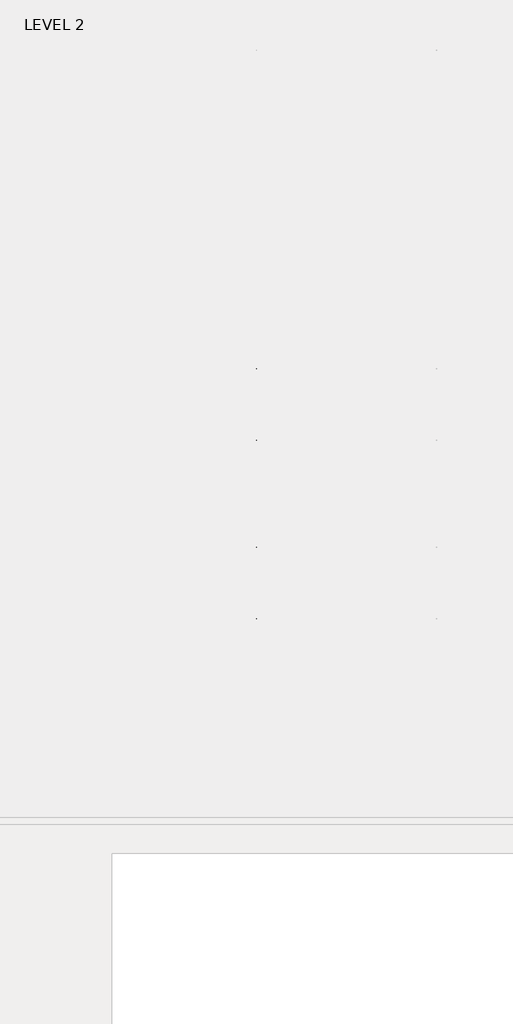
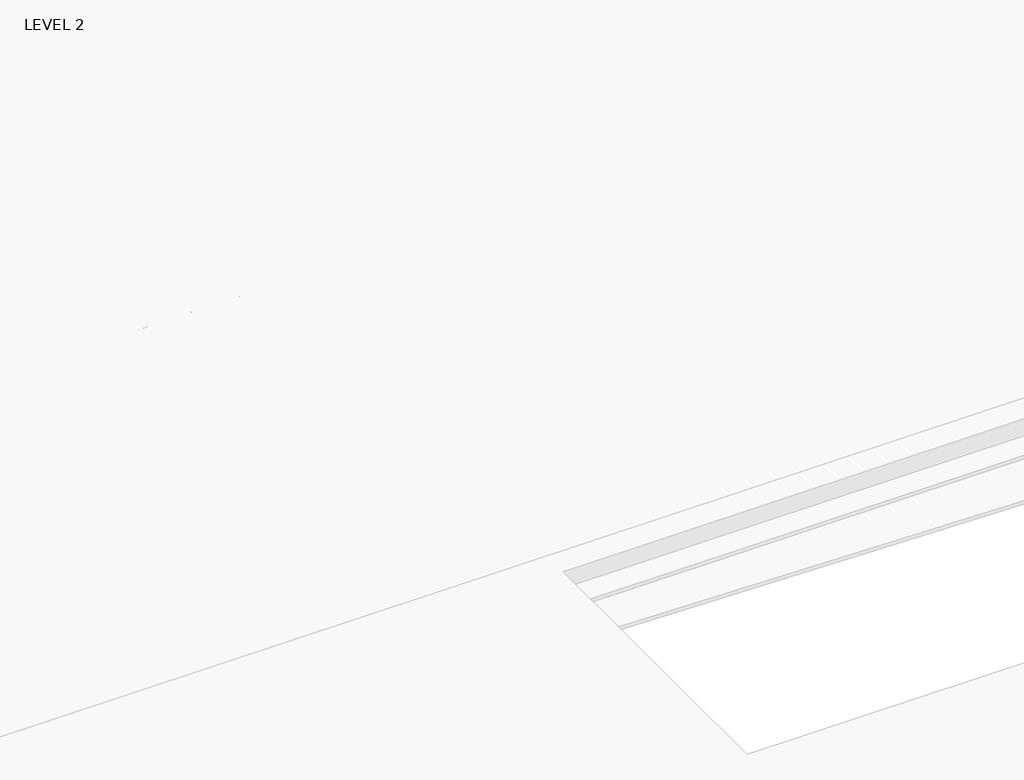
# One storey, part 52 of 67: 1 beam.
"""IFC4 building model written with IfcOpenShell, lengths in millimetres."""

import ifcopenshell
import ifcopenshell.guid

model = None  # the IFC model being written
_history = None  # IfcOwnerHistory: only IFC2X3 demands one
_inside = {}  # id of a spatial element -> (the spatial element, [elements in it])
_under = {}  # id of a project, library or spatial element -> (it, [spatial elements below it])
_declared = {}  # id of a project -> (the project, [libraries it declares])
_typed = {}  # id of a type object -> (the type object, [elements of that type])
_made_of = {}  # id of a material, layer set ... -> (it, [elements and type objects made of it])


def new_model(schema):
    """Start an empty IFC model of exactly this schema.

    Asked for "IFC4X3", IfcOpenShell would pick the latest addendum, in which some entities
    have other attributes; the version numbers below select the first issue.
    IFC2X3 requires an IfcOwnerHistory on every rooted entity: one is made here for all.
    """
    global model, _history
    if schema == "IFC4X3":
        model = ifcopenshell.file(schema_version=(4, 3, 0, 0))
    else:
        model = ifcopenshell.file(schema=schema)
    _inside.clear()
    _under.clear()
    _declared.clear()
    _typed.clear()
    _made_of.clear()
    _history = None
    if model.schema == "IFC2X3":
        org = make("IfcOrganization", Name="unknown")
        user = make(
            "IfcPersonAndOrganization",
            ThePerson=make("IfcPerson", FamilyName="unknown"),
            TheOrganization=org,
        )
        app = make(
            "IfcApplication",
            ApplicationDeveloper=org,
            Version="unknown",
            ApplicationFullName="unknown",
            ApplicationIdentifier="unknown",
        )
        _history = make(
            "IfcOwnerHistory",
            OwningUser=user,
            OwningApplication=app,
            ChangeAction="ADDED",
            CreationDate=0,
        )
    return model


def make(cls, **values):
    """One entity of the class cls with the attributes given. An attribute that is None is left unset."""
    return model.create_entity(
        cls, **{name: value for name, value in values.items() if value is not None}
    )


def rooted(cls, **values):
    """An entity with a GlobalId (a new one), such as an element, a storey or a relation."""
    return make(cls, GlobalId=ifcopenshell.guid.new(), OwnerHistory=_history, **values)


def si_unit(unit_type, name, prefix=None):
    """IfcSIUnit, for example si_unit("LENGTHUNIT", "METRE", prefix="MILLI")."""
    return make("IfcSIUnit", UnitType=unit_type, Prefix=prefix, Name=name)


def assignment(units):
    """IfcUnitAssignment: the units of a project."""
    return None if units is None else make("IfcUnitAssignment", Units=units)


def point(xyz):
    """IfcCartesianPoint."""
    return None if xyz is None else make("IfcCartesianPoint", Coordinates=xyz)


def direction(xyz):
    """IfcDirection."""
    return None if xyz is None else make("IfcDirection", DirectionRatios=xyz)


def frame(location, z_axis=None, x_axis=None):
    """IfcAxis2Placement3D, a coordinate frame: its origin and axes. An axis left out is left unset."""
    return make(
        "IfcAxis2Placement3D",
        Location=point(location),
        Axis=direction(z_axis),
        RefDirection=direction(x_axis),
    )


def origin():
    """The frame at (0, 0, 0) with its axes left unset."""
    return frame((0.0, 0.0, 0.0))


def place(relative_to, where):
    """IfcLocalPlacement: puts the frame where relative to a parent placement (None: the world)."""
    return make(
        "IfcLocalPlacement", PlacementRelTo=relative_to, RelativePlacement=where
    )


def context(
    kind, dimensions, precision=None, world=None, true_north=None, identifier=None
):
    """IfcGeometricRepresentationContext, for example the 3D "Model" context."""
    return make(
        "IfcGeometricRepresentationContext",
        ContextIdentifier=identifier,
        ContextType=kind,
        CoordinateSpaceDimension=dimensions,
        Precision=precision,
        WorldCoordinateSystem=world,
        TrueNorth=true_north,
    )


def project(units=None, contexts=None):
    """IfcProject with its units and contexts."""
    return rooted(
        "IfcProject",
        Name="project",
        RepresentationContexts=contexts,
        UnitsInContext=assignment(units),
    )


def spatial(cls, under=None, at=None, **own):
    """A site, building, storey or space (cls), placed at a placement, below another one or the project."""
    s = rooted(cls, ObjectPlacement=at, **own)
    if under is not None:
        _under.setdefault(under.id(), (under, []))[1].append(s)
    return s


def polyline(points):
    """IfcPolyline through the points."""
    return make("IfcPolyline", Points=[point(p) for p in points])


def outline(outer, holes=None, kind="AREA"):
    """IfcArbitraryClosedProfileDef: a profile drawn as a closed curve; with holes, ...WithVoids."""
    if holes is None:
        return make("IfcArbitraryClosedProfileDef", ProfileType=kind, OuterCurve=outer)
    return make(
        "IfcArbitraryProfileDefWithVoids",
        ProfileType=kind,
        OuterCurve=outer,
        InnerCurves=holes,
    )


def extrude(swept, where, along, depth):
    """IfcExtrudedAreaSolid: the profile swept, set in the frame where, extruded along a direction by depth."""
    return make(
        "IfcExtrudedAreaSolid",
        SweptArea=swept,
        Position=where,
        ExtrudedDirection=direction(along),
        Depth=depth,
    )


def faces_of(points, faces, orient=None, outer=None):
    """IfcFace entities. A face is a list of loops; a loop is a list of indices into points, from 0.

    orient and outer hold one flag for each loop. By default every Orientation is true, the
    first loop of a face is its IfcFaceOuterBound and the others are IfcFaceBound.
    """
    made = []
    for i, loops in enumerate(faces):
        bounds = []
        for j, loop in enumerate(loops):
            is_outer = j == 0 if outer is None else outer[i][j]
            bounds.append(
                make(
                    "IfcFaceOuterBound" if is_outer else "IfcFaceBound",
                    Bound=make("IfcPolyLoop", Polygon=[points[k] for k in loop]),
                    Orientation=True if orient is None else orient[i][j],
                )
            )
        made.append(make("IfcFace", Bounds=bounds))
    return made


def faceted_brep(points, faces, orient=None, outer=None, voids=None):
    """IfcFacetedBrep: a solid bounded by flat faces; with voids (closed shells), ...WithVoids."""
    shared = [point(p) for p in points]
    hull = make("IfcClosedShell", CfsFaces=faces_of(shared, faces, orient, outer))
    if voids is None:
        return make("IfcFacetedBrep", Outer=hull)
    return make(
        "IfcFacetedBrepWithVoids",
        Outer=hull,
        Voids=[
            make(cls, CfsFaces=faces_of(shared, fs, o, b)) for cls, fs, o, b in voids
        ],
    )


def shape(context_of_items, identifier, shape_type, items):
    """IfcShapeRepresentation: the items that make up one representation, for example the "Body"."""
    return make(
        "IfcShapeRepresentation",
        ContextOfItems=context_of_items,
        RepresentationIdentifier=identifier,
        RepresentationType=shape_type,
        Items=items,
    )


def made_of(thing, what):
    """Note that an element or type object is made of a material, layer set ...; save() writes the relation."""
    if what is not None:
        _made_of.setdefault(what.id(), (what, []))[1].append(thing)
    return thing


def element(
    cls,
    number,
    at=None,
    inside=None,
    cuts=None,
    type_object=None,
    material=None,
    context=None,
    identifier="Body",
    shape_type=None,
    held_by="IfcProductDefinitionShape",
    body=None,
    shapes=None,
    **own,
):
    """One element of the class cls, such as IfcWall. Its Tag is "e" and its number.

    at: its placement. inside: the storey or other place that contains it. cuts: it is an
    opening in that element (IfcRelVoidsElement). A single representation is given by context,
    identifier, shape_type and body (its items); several are given by shapes. held_by: the class
    of the entity that holds the representations. save() writes the other relations.
    """
    e = rooted(cls, Tag="e%d" % number, ObjectPlacement=at, **own)
    if body is not None:
        shapes = [shape(context, identifier, shape_type, body)]
    if shapes is not None:
        e.Representation = make(held_by, Representations=shapes)
    if inside is not None:
        _inside.setdefault(inside.id(), (inside, []))[1].append(e)
    if cuts is not None:
        rooted(
            "IfcRelVoidsElement", RelatingBuildingElement=cuts, RelatedOpeningElement=e
        )
    if type_object is not None:
        _typed.setdefault(type_object.id(), (type_object, []))[1].append(e)
    return made_of(e, material)


def aggregate(whole, parts):
    """IfcRelAggregates: a whole, such as a stair, and the parts it consists of."""
    return rooted("IfcRelAggregates", RelatingObject=whole, RelatedObjects=parts)


def save(model, path):
    """Write the relations noted so far, then the file.

    IfcRelAggregates (storeys below a building ...), IfcRelContainedInSpatialStructure (elements
    in a storey), IfcRelDefinesByType, IfcRelAssociatesMaterial and IfcRelDeclares: one each for
    every whole, place, type object, material and project.
    """
    for whole, parts in _under.values():
        aggregate(whole, parts)
    for where, things in _inside.values():
        rooted(
            "IfcRelContainedInSpatialStructure",
            RelatedElements=things,
            RelatingStructure=where,
        )
    for kind, things in _typed.values():
        rooted("IfcRelDefinesByType", RelatedObjects=things, RelatingType=kind)
    for what, things in _made_of.values():
        rooted("IfcRelAssociatesMaterial", RelatedObjects=things, RelatingMaterial=what)
    for by, libraries in _declared.values():
        rooted("IfcRelDeclares", RelatingContext=by, RelatedDefinitions=libraries)
    model.write(path)


model = new_model("IFC4")

# Units and contexts
model_context = context("Model", 3, world=origin())
ifc_project = project(units=[si_unit("LENGTHUNIT", "METRE", prefix="MILLI")], contexts=[model_context])

# Site, building, storey
site = spatial("IfcSite", under=ifc_project)
building = spatial("IfcBuilding", under=site)
storey = spatial("IfcBuildingStorey", under=building, Name="LEVEL 2", Elevation=6908.8)

# Beam
placement = place(None, origin())
element("IfcBeam", 1, ObjectType="K-Series Bar Joist-Angle Web : 12K3", at=placement, inside=storey, context=model_context, shape_type="SolidModel", body=[
    extrude(outline(polyline([(0.0, -9.525), (0.0, 0.0), (573.7533355, 0.0), (573.7533355, -9.525), (0.0, -9.525)])), frame((50252.3743742, -9604.1227945, 6274.1671734), z_axis=(0.0, -0.48308851527800273, 0.8755715198694479), x_axis=(0.0, -0.8755715198694479, -0.48308851527800273)), (0.0, 0.0, 1.0), 9.525),
    extrude(outline(polyline([(0.0, -9.525), (0.0, 0.0), (573.7533355, 0.0), (573.7533355, -9.525), (0.0, -9.525)])), frame((50242.8493742, -14433.5123055, 6174.0312759), z_axis=(0.0, 0.44637950228858414, 0.894843751688861), x_axis=(0.0, 0.894843751688861, -0.44637950228858414)), (0.0, 0.0, 1.0), 9.525),
    extrude(outline(polyline([(4.7625, 4.7625), (4.7625, -4.7625), (-4.7625, -4.7625), (-4.7625, 4.7625), (4.7625, 4.7625)])), frame((50247.6118742, -10108.7855836, 6001.1634358), z_axis=(0.0, 0.52726382079386, 0.8497016319166749), x_axis=(-1.0, 0.0, 0.0)), (0.0, 0.0, 1.0), 318.0343231),
    extrude(outline(polyline([(4.7625, 4.7624999), (4.7625, -4.7625), (-4.7625, -4.7625), (-4.7625, 4.7624999), (4.7625, 4.7624999)])), frame((50247.6118742, -13917.9668359, 5922.1812409), z_axis=(0.0, -0.5620321036093113, 0.8271154178906911), x_axis=(-1.0, 0.0, 0.0)), (0.0, 0.0, 1.0), 318.0343231),
    extrude(outline(polyline([(0.0, 0.0), (31.75, 0.0), (31.75, -6.35), (6.35, -6.35), (6.35, -31.75), (0.0, -31.75), (0.0, 0.0)])), frame((50252.3743742, -14019.4133656, 5913.7264136), z_axis=(0.0, 0.9997851055909517, 0.020730234887470715), x_axis=(1.0, 0.0, 0.0)), (0.0, 0.0, 1.0), 4013.2),
    extrude(outline(polyline([(-9.525, 0.0), (-9.525, -31.75), (-15.875, -31.75), (-15.875, -6.35), (-41.275, -6.35), (-41.275, 0.0), (-9.525, 0.0)])), frame((50252.3743742, -14019.4133656, 5913.7264136), z_axis=(0.0, 0.9997851055909517, 0.020730234887470715), x_axis=(1.0, 0.0, 0.0)), (0.0, 0.0, 1.0), 4013.2),
    extrude(outline(polyline([(-31.75, 0.0), (0.0, 0.0), (0.0, -6.35), (-25.4, -6.35), (-25.4, -31.75), (-31.75, -31.75), (-31.75, 0.0)])), frame((50284.1243742, -14532.3064049, 6144.4436003), z_axis=(0.0, 0.9997851055909517, 0.020730234887470715), x_axis=(1.0, 0.0, 0.0)), (0.0, 0.0, 1.0), 101.6),
    extrude(outline(polyline([(-41.275, 0.0), (-41.275, -31.75), (-47.625, -31.75), (-47.625, -6.35), (-73.025, -6.35), (-73.025, 0.0), (-41.275, 0.0)])), frame((50284.1243742, -14532.3064049, 6144.4436003), z_axis=(0.0, 0.9997851055909517, 0.020730234887470715), x_axis=(1.0, 0.0, 0.0)), (0.0, 0.0, 1.0), 101.6),
    extrude(outline(polyline([(0.0, 0.0), (31.75, 0.0), (31.75, -6.35), (6.35, -6.35), (6.35, -31.75), (0.0, -31.75), (0.0, 0.0)])), frame((50242.8493742, -9605.7653186, 6246.5939057), z_axis=(0.0, 0.9997851055909517, 0.020730234887470715), x_axis=(0.0, -0.020730234887470715, 0.9997851055909517)), (0.0, 0.0, 1.0), 101.6),
    extrude(outline(polyline([(0.0, 41.275), (6.35, 41.275), (6.35, 15.875), (31.75, 15.875), (31.75, 9.525), (0.0, 9.525), (0.0, 41.275)])), frame((50242.8493742, -9605.7653186, 6246.5939057), z_axis=(0.0, 0.9997851055909517, 0.020730234887470715), x_axis=(0.0, -0.020730234887470715, 0.9997851055909517)), (0.0, 0.0, 1.0), 101.6),
    extrude(outline(polyline([(0.0, 0.0), (31.75, 0.0), (31.75, -6.35), (6.35, -6.35), (6.35, -31.75), (0.0, -31.75), (0.0, 0.0)])), frame((50252.3743742, -14533.6227748, 6207.9299545), z_axis=(0.0, 0.9997851055909517, 0.020730234887470715), x_axis=(0.0, 0.020730234887470715, -0.9997851055909517)), (0.0, 0.0, 1.0), 5029.2),
    extrude(outline(polyline([(0.0, 9.525), (0.0, 41.275), (6.35, 41.275), (6.35, 15.875), (31.75, 15.875), (31.75, 9.525), (0.0, 9.525)])), frame((50252.3743742, -14533.6227748, 6207.9299545), z_axis=(0.0, 0.9997851055909517, 0.020730234887470715), x_axis=(0.0, 0.020730234887470715, -0.9997851055909517)), (0.0, 0.0, 1.0), 5029.2),
    faceted_brep([(50247.6118742, -10109.114676, 6017.0350244), (50247.6118742, -10108.7197651, 5997.9891181), (50242.8493742, -10108.7197651, 5997.9891181), (50242.8493742, -10109.114676, 6017.0350244), (50247.6118742, -10109.9522968, 6017.0176566), (50247.6118742, -10276.2637995, 6293.0292934), (50247.6118742, -10294.472085, 6292.6517502), (50247.6118742, -10294.0771741, 6273.605844), (50247.6118742, -10286.8909179, 6273.7548488), (50247.6118742, -10120.5794152, 5997.7432119), (50242.8493742, -10120.5794152, 5997.7432119), (50242.8493742, -10141.368353, 6032.2446665), (50242.8493742, -10137.2891437, 6034.7026043), (50242.8493742, -10273.3621914, 6260.5303072), (50242.8493742, -10277.4414007, 6258.0723694), (50242.8493742, -10286.8909179, 6273.7548488), (50242.8493742, -10294.0771741, 6273.605844), (50242.8493742, -10294.472085, 6292.6517502), (50242.8493742, -10276.2637995, 6293.0292934), (50242.8493742, -10109.9522968, 6017.0176566), (50230.1493742, -10277.4414007, 6258.0723694), (50230.1493742, -10141.368353, 6032.2446665), (50230.1493742, -10137.2891437, 6034.7026043), (50230.1493742, -10273.3621914, 6260.5303072)], [[[0, 1, 2, 3]], [[1, 0, 4, 5, 6, 7, 8, 9]], [[2, 1, 9, 10]], [[3, 2, 10, 11, 12, 13, 14, 15, 16, 17, 18, 19]], [[0, 3, 19, 4]], [[9, 8, 15, 14, 20, 21, 11, 10]], [[5, 4, 19, 18]], [[7, 6, 17, 16]], [[8, 7, 16, 15]], [[6, 5, 18, 17]], [[21, 22, 12, 11]], [[20, 14, 13, 23]], [[22, 21, 20, 23]], [[12, 22, 23, 13]]]),
    extrude(outline(polyline([(-10455.153257, 5990.8059268), (-10455.548168, 6009.8518331), (-10454.7105472, 6009.8692009), (-10299.9830997, 6292.5374811), (-10281.7748142, 6292.9150242), (-10281.3799032, 6273.869118), (-10288.5661594, 6273.7201132), (-10443.2936069, 5991.051833), (-10455.153257, 5990.8059268)])), frame((50247.6118742, 0.0, 0.0), z_axis=(1.0, 0.0, 0.0), x_axis=(0.0, 1.0, 0.0)), (0.0, 0.0, 1.0), 4.7625),
    extrude(outline(polyline([(-4.7625, 4.7625), (-4.7625, 0.0), (-17.4625, 0.0), (-17.4625, 4.7625), (-4.7625, 4.7625)])), frame((50247.6118742, -10423.9526759, 6026.385368), z_axis=(0.0, 0.48015445792745387, 0.8771839582051151), x_axis=(-1.0, 0.0, 0.0)), (0.0, 0.0, 1.0), 263.6551264),
    faceted_brep([(50247.6118742, -13571.8624364, 5945.2360207), (50247.6118742, -13571.4675254, 5926.1901145), (50242.8493742, -13571.4675254, 5926.1901145), (50242.8493742, -13571.8624364, 5945.2360207), (50247.6118742, -13572.7000571, 5945.2186529), (50247.6118742, -13739.0115599, 6221.2302898), (50247.6118742, -13757.2198454, 6220.8527466), (50247.6118742, -13756.8249344, 6201.8068403), (50247.6118742, -13749.6386783, 6201.9558451), (50247.6118742, -13583.3271755, 5925.9442083), (50242.8493742, -13583.3271755, 5925.9442083), (50242.8493742, -13604.1161134, 5960.4456629), (50242.8493742, -13600.0369041, 5962.9036007), (50242.8493742, -13736.1099518, 6188.7313035), (50242.8493742, -13740.1891611, 6186.2733658), (50242.8493742, -13749.6386783, 6201.9558451), (50242.8493742, -13756.8249344, 6201.8068403), (50242.8493742, -13757.2198454, 6220.8527466), (50242.8493742, -13739.0115599, 6221.2302898), (50242.8493742, -13572.7000571, 5945.2186529), (50230.1493742, -13740.1891611, 6186.2733658), (50230.1493742, -13604.1161134, 5960.4456629), (50230.1493742, -13600.0369041, 5962.9036007), (50230.1493742, -13736.1099518, 6188.7313035)], [[[0, 1, 2, 3]], [[1, 0, 4, 5, 6, 7, 8, 9]], [[2, 1, 9, 10]], [[3, 2, 10, 11, 12, 13, 14, 15, 16, 17, 18, 19]], [[0, 3, 19, 4]], [[9, 8, 15, 14, 20, 21, 11, 10]], [[5, 4, 19, 18]], [[7, 6, 17, 16]], [[8, 7, 16, 15]], [[6, 5, 18, 17]], [[21, 22, 12, 11]], [[20, 14, 13, 23]], [[22, 21, 20, 23]], [[12, 22, 23, 13]]]),
    extrude(outline(polyline([(-13917.9010174, 5919.0069232), (-13918.2959283, 5938.0528295), (-13917.4583076, 5938.0701973), (-13762.7308601, 6220.7384774), (-13744.5225746, 6221.1160206), (-13744.1276636, 6202.0701143), (-13751.3139198, 6201.9211095), (-13906.0413673, 5919.2528294), (-13917.9010174, 5919.0069232)])), frame((50247.6118742, 0.0, 0.0), z_axis=(1.0, 0.0, 0.0), x_axis=(0.0, 1.0, 0.0)), (0.0, 0.0, 1.0), 4.7625),
    extrude(outline(polyline([(-4.7625, 4.7625), (-4.7625, 0.0), (-17.4625, 0.0), (-17.4625, 4.7625), (-4.7625, 4.7625)])), frame((50247.6118742, -13886.7004363, 5954.5863644), z_axis=(0.0, 0.48015445792745387, 0.8771839582051151), x_axis=(-1.0, 0.0, 0.0)), (0.0, 0.0, 1.0), 263.6551264),
    faceted_brep([(50247.6118742, -10455.3894521, 6009.855124), (50247.6118742, -10454.9945411, 5990.8092177), (50242.8493742, -10454.9945411, 5990.8092177), (50242.8493742, -10455.3894521, 6009.855124), (50247.6118742, -10456.2270728, 6009.8377562), (50247.6118742, -10622.5385756, 6285.849393), (50247.6118742, -10640.7468611, 6285.4718499), (50247.6118742, -10640.3519501, 6266.4259436), (50247.6118742, -10633.165694, 6266.5749484), (50247.6118742, -10466.8541912, 5990.5633116), (50242.8493742, -10466.8541912, 5990.5633116), (50242.8493742, -10487.643129, 6025.0647662), (50242.8493742, -10483.5639198, 6027.5227039), (50242.8493742, -10619.6369675, 6253.3504068), (50242.8493742, -10623.7161767, 6250.892469), (50242.8493742, -10633.165694, 6266.5749484), (50242.8493742, -10640.3519501, 6266.4259436), (50242.8493742, -10640.7468611, 6285.4718499), (50242.8493742, -10622.5385756, 6285.849393), (50242.8493742, -10456.2270728, 6009.8377562), (50230.1493742, -10623.7161767, 6250.892469), (50230.1493742, -10487.643129, 6025.0647662), (50230.1493742, -10483.5639198, 6027.5227039), (50230.1493742, -10619.6369675, 6253.3504068)], [[[0, 1, 2, 3]], [[1, 0, 4, 5, 6, 7, 8, 9]], [[2, 1, 9, 10]], [[3, 2, 10, 11, 12, 13, 14, 15, 16, 17, 18, 19]], [[0, 3, 19, 4]], [[9, 8, 15, 14, 20, 21, 11, 10]], [[5, 4, 19, 18]], [[7, 6, 17, 16]], [[8, 7, 16, 15]], [[6, 5, 18, 17]], [[21, 22, 12, 11]], [[20, 14, 13, 23]], [[22, 21, 20, 23]], [[12, 22, 23, 13]]]),
    extrude(outline(polyline([(-10801.428033, 5983.6260265), (-10801.822944, 6002.6719327), (-10800.9853233, 6002.6893005), (-10646.2578758, 6285.3575807), (-10628.0495902, 6285.7351239), (-10627.6546793, 6266.6892176), (-10634.8409354, 6266.5402128), (-10789.5683829, 5983.8719326), (-10801.428033, 5983.6260265)])), frame((50247.6118742, 0.0, 0.0), z_axis=(1.0, 0.0, 0.0), x_axis=(0.0, 1.0, 0.0)), (0.0, 0.0, 1.0), 4.7625),
    extrude(outline(polyline([(-4.7625, 4.7625), (-4.7625, 0.0), (-17.4625, 0.0), (-17.4625, 4.7625), (-4.7625, 4.7625)])), frame((50247.6118742, -10770.227452, 6019.2054677), z_axis=(0.0, 0.48015445792745387, 0.8771839582051151), x_axis=(-1.0, 0.0, 0.0)), (0.0, 0.0, 1.0), 263.6551264),
    faceted_brep([(50247.6118742, -10801.6642281, 6002.6752236), (50247.6118742, -10801.2693171, 5983.6293174), (50242.8493742, -10801.2693171, 5983.6293174), (50242.8493742, -10801.6642281, 6002.6752236), (50247.6118742, -10802.5018488, 6002.6578558), (50247.6118742, -10968.8133516, 6278.6694927), (50247.6118742, -10987.0216371, 6278.2919495), (50247.6118742, -10986.6267261, 6259.2460433), (50247.6118742, -10979.44047, 6259.3950481), (50247.6118742, -10813.1289672, 5983.3834112), (50242.8493742, -10813.1289672, 5983.3834112), (50242.8493742, -10833.9179051, 6017.8848658), (50242.8493742, -10829.8386958, 6020.3428036), (50242.8493742, -10965.9117435, 6246.1705064), (50242.8493742, -10969.9909528, 6243.7125687), (50242.8493742, -10979.44047, 6259.3950481), (50242.8493742, -10986.6267261, 6259.2460433), (50242.8493742, -10987.0216371, 6278.2919495), (50242.8493742, -10968.8133516, 6278.6694927), (50242.8493742, -10802.5018488, 6002.6578558), (50230.1493742, -10969.9909528, 6243.7125687), (50230.1493742, -10833.9179051, 6017.8848658), (50230.1493742, -10829.8386958, 6020.3428036), (50230.1493742, -10965.9117435, 6246.1705064)], [[[0, 1, 2, 3]], [[1, 0, 4, 5, 6, 7, 8, 9]], [[2, 1, 9, 10]], [[3, 2, 10, 11, 12, 13, 14, 15, 16, 17, 18, 19]], [[0, 3, 19, 4]], [[9, 8, 15, 14, 20, 21, 11, 10]], [[5, 4, 19, 18]], [[7, 6, 17, 16]], [[8, 7, 16, 15]], [[6, 5, 18, 17]], [[21, 22, 12, 11]], [[20, 14, 13, 23]], [[22, 21, 20, 23]], [[12, 22, 23, 13]]]),
    extrude(outline(polyline([(-11147.7028091, 5976.4461261), (-11148.09772, 5995.4920324), (-11147.2600993, 5995.5094002), (-10992.5326518, 6278.1776803), (-10974.3243663, 6278.5552235), (-10973.9294553, 6259.5093172), (-10981.1157115, 6259.3603124), (-11135.843159, 5976.6920323), (-11147.7028091, 5976.4461261)])), frame((50247.6118742, 0.0, 0.0), z_axis=(1.0, 0.0, 0.0), x_axis=(0.0, 1.0, 0.0)), (0.0, 0.0, 1.0), 4.7625),
    extrude(outline(polyline([(-4.7625, 4.7625), (-4.7625, 0.0), (-17.4625, 0.0), (-17.4625, 4.7625), (-4.7625, 4.7625)])), frame((50247.6118742, -11116.502228, 6012.0255673), z_axis=(0.0, 0.48015445792745387, 0.8771839582051151), x_axis=(-1.0, 0.0, 0.0)), (0.0, 0.0, 1.0), 263.6551264),
    faceted_brep([(50247.6118742, -11147.9390041, 5995.4953233), (50247.6118742, -11147.5440932, 5976.449417), (50242.8493742, -11147.5440932, 5976.449417), (50242.8493742, -11147.9390041, 5995.4953233), (50247.6118742, -11148.7766249, 5995.4779555), (50247.6118742, -11315.0881276, 6271.4895923), (50247.6118742, -11333.2964132, 6271.1120491), (50247.6118742, -11332.9015022, 6252.0661429), (50247.6118742, -11325.715246, 6252.2151477), (50247.6118742, -11159.4037433, 5976.2035108), (50242.8493742, -11159.4037433, 5976.2035108), (50242.8493742, -11180.1926811, 6010.7049655), (50242.8493742, -11176.1134719, 6013.1629032), (50242.8493742, -11312.1865196, 6238.9906061), (50242.8493742, -11316.2657288, 6236.5326683), (50242.8493742, -11325.715246, 6252.2151477), (50242.8493742, -11332.9015022, 6252.0661429), (50242.8493742, -11333.2964132, 6271.1120491), (50242.8493742, -11315.0881276, 6271.4895923), (50242.8493742, -11148.7766249, 5995.4779555), (50230.1493742, -11316.2657288, 6236.5326683), (50230.1493742, -11180.1926811, 6010.7049655), (50230.1493742, -11176.1134719, 6013.1629032), (50230.1493742, -11312.1865196, 6238.9906061)], [[[0, 1, 2, 3]], [[1, 0, 4, 5, 6, 7, 8, 9]], [[2, 1, 9, 10]], [[3, 2, 10, 11, 12, 13, 14, 15, 16, 17, 18, 19]], [[0, 3, 19, 4]], [[9, 8, 15, 14, 20, 21, 11, 10]], [[5, 4, 19, 18]], [[7, 6, 17, 16]], [[8, 7, 16, 15]], [[6, 5, 18, 17]], [[21, 22, 12, 11]], [[20, 14, 13, 23]], [[22, 21, 20, 23]], [[12, 22, 23, 13]]]),
    extrude(outline(polyline([(-11493.9775851, 5969.2662257), (-11494.3724961, 5988.312132), (-11493.5348753, 5988.3294998), (-11338.8074278, 6270.99778), (-11320.5991423, 6271.3753231), (-11320.2042313, 6252.3294169), (-11327.3904875, 6252.1804121), (-11482.117935, 5969.5121319), (-11493.9775851, 5969.2662257)])), frame((50247.6118742, 0.0, 0.0), z_axis=(1.0, 0.0, 0.0), x_axis=(0.0, 1.0, 0.0)), (0.0, 0.0, 1.0), 4.7625),
    extrude(outline(polyline([(-4.7625, 4.7625), (-4.7625, 0.0), (-17.4625, 0.0), (-17.4625, 4.7625), (-4.7625, 4.7625)])), frame((50247.6118742, -11462.7770041, 6004.8456669), z_axis=(0.0, 0.48015445792745387, 0.8771839582051151), x_axis=(-1.0, 0.0, 0.0)), (0.0, 0.0, 1.0), 263.6551264),
    faceted_brep([(50247.6118742, -11494.2137802, 5988.3154229), (50247.6118742, -11493.8188692, 5969.2695167), (50242.8493742, -11493.8188692, 5969.2695167), (50242.8493742, -11494.2137802, 5988.3154229), (50247.6118742, -11495.0514009, 5988.2980551), (50247.6118742, -11661.3629037, 6264.309692), (50247.6118742, -11679.5711892, 6263.9321488), (50247.6118742, -11679.1762782, 6244.8862425), (50247.6118742, -11671.9900221, 6245.0352473), (50247.6118742, -11505.6785193, 5969.0236105), (50242.8493742, -11505.6785193, 5969.0236105), (50242.8493742, -11526.4674572, 6003.5250651), (50242.8493742, -11522.3882479, 6005.9830028), (50242.8493742, -11658.4612956, 6231.8107057), (50242.8493742, -11662.5405049, 6229.352768), (50242.8493742, -11671.9900221, 6245.0352473), (50242.8493742, -11679.1762782, 6244.8862425), (50242.8493742, -11679.5711892, 6263.9321488), (50242.8493742, -11661.3629037, 6264.309692), (50242.8493742, -11495.0514009, 5988.2980551), (50230.1493742, -11662.5405049, 6229.352768), (50230.1493742, -11526.4674572, 6003.5250651), (50230.1493742, -11522.3882479, 6005.9830028), (50230.1493742, -11658.4612956, 6231.8107057)], [[[0, 1, 2, 3]], [[1, 0, 4, 5, 6, 7, 8, 9]], [[2, 1, 9, 10]], [[3, 2, 10, 11, 12, 13, 14, 15, 16, 17, 18, 19]], [[0, 3, 19, 4]], [[9, 8, 15, 14, 20, 21, 11, 10]], [[5, 4, 19, 18]], [[7, 6, 17, 16]], [[8, 7, 16, 15]], [[6, 5, 18, 17]], [[21, 22, 12, 11]], [[20, 14, 13, 23]], [[22, 21, 20, 23]], [[12, 22, 23, 13]]]),
    extrude(outline(polyline([(-11840.2523611, 5962.0863254), (-11840.6472721, 5981.1322316), (-11839.8096514, 5981.1495994), (-11685.0822039, 6263.8178796), (-11666.8739184, 6264.1954228), (-11666.4790074, 6245.1495165), (-11673.6652635, 6245.0005117), (-11828.392711, 5962.3322315), (-11840.2523611, 5962.0863254)])), frame((50247.6118742, 0.0, 0.0), z_axis=(1.0, 0.0, 0.0), x_axis=(0.0, 1.0, 0.0)), (0.0, 0.0, 1.0), 4.7625),
    extrude(outline(polyline([(-4.7625, 4.7625), (-4.7625, 0.0), (-17.4625, 0.0), (-17.4625, 4.7625), (-4.7625, 4.7625)])), frame((50247.6118742, -11809.0517801, 5997.6657666), z_axis=(0.0, 0.48015445792745387, 0.8771839582051151), x_axis=(-1.0, 0.0, 0.0)), (0.0, 0.0, 1.0), 263.6551264),
    faceted_brep([(50247.6118742, -11840.4885562, 5981.1355226), (50247.6118742, -11840.0936452, 5962.0896163), (50242.8493742, -11840.0936452, 5962.0896163), (50242.8493742, -11840.4885562, 5981.1355226), (50247.6118742, -11841.326177, 5981.1181547), (50247.6118742, -12007.6376797, 6257.1297916), (50247.6118742, -12025.8459652, 6256.7522484), (50247.6118742, -12025.4510543, 6237.7063422), (50247.6118742, -12018.2647981, 6237.855347), (50247.6118742, -11851.9532954, 5961.8437101), (50242.8493742, -11851.9532954, 5961.8437101), (50242.8493742, -11872.7422332, 5996.3451647), (50242.8493742, -11868.6630239, 5998.8031025), (50242.8493742, -12004.7360716, 6224.6308053), (50242.8493742, -12008.8152809, 6222.1728676), (50242.8493742, -12018.2647981, 6237.855347), (50242.8493742, -12025.4510543, 6237.7063422), (50242.8493742, -12025.8459652, 6256.7522484), (50242.8493742, -12007.6376797, 6257.1297916), (50242.8493742, -11841.326177, 5981.1181547), (50230.1493742, -12008.8152809, 6222.1728676), (50230.1493742, -11872.7422332, 5996.3451647), (50230.1493742, -11868.6630239, 5998.8031025), (50230.1493742, -12004.7360716, 6224.6308053)], [[[0, 1, 2, 3]], [[1, 0, 4, 5, 6, 7, 8, 9]], [[2, 1, 9, 10]], [[3, 2, 10, 11, 12, 13, 14, 15, 16, 17, 18, 19]], [[0, 3, 19, 4]], [[9, 8, 15, 14, 20, 21, 11, 10]], [[5, 4, 19, 18]], [[7, 6, 17, 16]], [[8, 7, 16, 15]], [[6, 5, 18, 17]], [[21, 22, 12, 11]], [[20, 14, 13, 23]], [[22, 21, 20, 23]], [[12, 22, 23, 13]]]),
    extrude(outline(polyline([(-12186.5271372, 5954.906425), (-12186.9220481, 5973.9523313), (-12186.0844274, 5973.9696991), (-12031.3569799, 6256.6379792), (-12013.1486944, 6257.0155224), (-12012.7537834, 6237.9696161), (-12019.9400396, 6237.8206113), (-12174.6674871, 5955.1523312), (-12186.5271372, 5954.906425)])), frame((50247.6118742, 0.0, 0.0), z_axis=(1.0, 0.0, 0.0), x_axis=(0.0, 1.0, 0.0)), (0.0, 0.0, 1.0), 4.7625),
    extrude(outline(polyline([(-4.7625, 4.7625), (-4.7625, 0.0), (-17.4625, 0.0), (-17.4625, 4.7625), (-4.7625, 4.7625)])), frame((50247.6118742, -12155.3265561, 5990.4858662), z_axis=(0.0, 0.48015445792745387, 0.8771839582051151), x_axis=(-1.0, 0.0, 0.0)), (0.0, 0.0, 1.0), 263.6551264),
    faceted_brep([(50247.6118742, -12186.7633323, 5973.9556222), (50247.6118742, -12186.3684213, 5954.9097159), (50242.8493742, -12186.3684213, 5954.9097159), (50242.8493742, -12186.7633323, 5973.9556222), (50247.6118742, -12187.600953, 5973.9382544), (50247.6118742, -12353.9124557, 6249.9498912), (50247.6118742, -12372.1207413, 6249.5723481), (50247.6118742, -12371.7258303, 6230.5264418), (50247.6118742, -12364.5395741, 6230.6754466), (50247.6118742, -12198.2280714, 5954.6638098), (50242.8493742, -12198.2280714, 5954.6638098), (50242.8493742, -12219.0170092, 5989.1652644), (50242.8493742, -12214.9378, 5991.6232021), (50242.8493742, -12351.0108477, 6217.450905), (50242.8493742, -12355.0900569, 6214.9929672), (50242.8493742, -12364.5395741, 6230.6754466), (50242.8493742, -12371.7258303, 6230.5264418), (50242.8493742, -12372.1207413, 6249.5723481), (50242.8493742, -12353.9124557, 6249.9498912), (50242.8493742, -12187.600953, 5973.9382544), (50230.1493742, -12355.0900569, 6214.9929672), (50230.1493742, -12219.0170092, 5989.1652644), (50230.1493742, -12214.9378, 5991.6232021), (50230.1493742, -12351.0108477, 6217.450905)], [[[0, 1, 2, 3]], [[1, 0, 4, 5, 6, 7, 8, 9]], [[2, 1, 9, 10]], [[3, 2, 10, 11, 12, 13, 14, 15, 16, 17, 18, 19]], [[0, 3, 19, 4]], [[9, 8, 15, 14, 20, 21, 11, 10]], [[5, 4, 19, 18]], [[7, 6, 17, 16]], [[8, 7, 16, 15]], [[6, 5, 18, 17]], [[21, 22, 12, 11]], [[20, 14, 13, 23]], [[22, 21, 20, 23]], [[12, 22, 23, 13]]]),
    extrude(outline(polyline([(-12532.8019132, 5947.7265246), (-12533.1968242, 5966.7724309), (-12532.3592034, 5966.7897987), (-12377.631756, 6249.4580789), (-12359.4234704, 6249.835622), (-12359.0285595, 6230.7897158), (-12366.2148156, 6230.640711), (-12520.9422631, 5947.9724308), (-12532.8019132, 5947.7265246)])), frame((50247.6118742, 0.0, 0.0), z_axis=(1.0, 0.0, 0.0), x_axis=(0.0, 1.0, 0.0)), (0.0, 0.0, 1.0), 4.7625),
    extrude(outline(polyline([(-4.7625, 4.7625), (-4.7625, 0.0), (-17.4625, 0.0), (-17.4625, 4.7625), (-4.7625, 4.7625)])), frame((50247.6118742, -12501.6013322, 5983.3059658), z_axis=(0.0, 0.48015445792745387, 0.8771839582051151), x_axis=(-1.0, 0.0, 0.0)), (0.0, 0.0, 1.0), 263.6551264),
    faceted_brep([(50247.6118742, -12533.0381083, 5966.7757218), (50247.6118742, -12532.6431973, 5947.7298156), (50242.8493742, -12532.6431973, 5947.7298156), (50242.8493742, -12533.0381083, 5966.7757218), (50247.6118742, -12533.875729, 5966.758354), (50247.6118742, -12700.1872318, 6242.7699909), (50247.6118742, -12718.3955173, 6242.3924477), (50247.6118742, -12718.0006063, 6223.3465414), (50247.6118742, -12710.8143502, 6223.4955462), (50247.6118742, -12544.5028474, 5947.4839094), (50242.8493742, -12544.5028474, 5947.4839094), (50242.8493742, -12565.2917853, 5981.985364), (50242.8493742, -12561.212576, 5984.4433018), (50242.8493742, -12697.2856237, 6210.2710046), (50242.8493742, -12701.364833, 6207.8130669), (50242.8493742, -12710.8143502, 6223.4955462), (50242.8493742, -12718.0006063, 6223.3465414), (50242.8493742, -12718.3955173, 6242.3924477), (50242.8493742, -12700.1872318, 6242.7699909), (50242.8493742, -12533.875729, 5966.758354), (50230.1493742, -12701.364833, 6207.8130669), (50230.1493742, -12565.2917853, 5981.985364), (50230.1493742, -12561.212576, 5984.4433018), (50230.1493742, -12697.2856237, 6210.2710046)], [[[0, 1, 2, 3]], [[1, 0, 4, 5, 6, 7, 8, 9]], [[2, 1, 9, 10]], [[3, 2, 10, 11, 12, 13, 14, 15, 16, 17, 18, 19]], [[0, 3, 19, 4]], [[9, 8, 15, 14, 20, 21, 11, 10]], [[5, 4, 19, 18]], [[7, 6, 17, 16]], [[8, 7, 16, 15]], [[6, 5, 18, 17]], [[21, 22, 12, 11]], [[20, 14, 13, 23]], [[22, 21, 20, 23]], [[12, 22, 23, 13]]]),
    extrude(outline(polyline([(-12879.0766892, 5940.5466243), (-12879.4716002, 5959.5925305), (-12878.6339795, 5959.6098983), (-12723.906532, 6242.2781785), (-12705.6982465, 6242.6557217), (-12705.3033355, 6223.6098154), (-12712.4895917, 6223.4608106), (-12867.2170391, 5940.7925305), (-12879.0766892, 5940.5466243)])), frame((50247.6118742, 0.0, 0.0), z_axis=(1.0, 0.0, 0.0), x_axis=(0.0, 1.0, 0.0)), (0.0, 0.0, 1.0), 4.7625),
    extrude(outline(polyline([(-4.7625, 4.7625), (-4.7625, 0.0), (-17.4625, 0.0), (-17.4625, 4.7625), (-4.7625, 4.7625)])), frame((50247.6118742, -12847.8761082, 5976.1260655), z_axis=(0.0, 0.48015445792745387, 0.8771839582051151), x_axis=(-1.0, 0.0, 0.0)), (0.0, 0.0, 1.0), 263.6551264),
    faceted_brep([(50247.6118742, -12879.3128843, 5959.5958215), (50247.6118742, -12878.9179734, 5940.5499152), (50242.8493742, -12878.9179734, 5940.5499152), (50242.8493742, -12879.3128843, 5959.5958215), (50247.6118742, -12880.1505051, 5959.5784537), (50247.6118742, -13046.4620078, 6235.5900905), (50247.6118742, -13064.6702933, 6235.2125473), (50247.6118742, -13064.2753824, 6216.1666411), (50247.6118742, -13057.0891262, 6216.3156459), (50247.6118742, -12890.7776235, 5940.304009), (50242.8493742, -12890.7776235, 5940.304009), (50242.8493742, -12911.5665613, 5974.8054636), (50242.8493742, -12907.487352, 5977.2634014), (50242.8493742, -13043.5603997, 6203.0911043), (50242.8493742, -13047.639609, 6200.6331665), (50242.8493742, -13057.0891262, 6216.3156459), (50242.8493742, -13064.2753824, 6216.1666411), (50242.8493742, -13064.6702933, 6235.2125473), (50242.8493742, -13046.4620078, 6235.5900905), (50242.8493742, -12880.1505051, 5959.5784537), (50230.1493742, -13047.639609, 6200.6331665), (50230.1493742, -12911.5665613, 5974.8054636), (50230.1493742, -12907.487352, 5977.2634014), (50230.1493742, -13043.5603997, 6203.0911043)], [[[0, 1, 2, 3]], [[1, 0, 4, 5, 6, 7, 8, 9]], [[2, 1, 9, 10]], [[3, 2, 10, 11, 12, 13, 14, 15, 16, 17, 18, 19]], [[0, 3, 19, 4]], [[9, 8, 15, 14, 20, 21, 11, 10]], [[5, 4, 19, 18]], [[7, 6, 17, 16]], [[8, 7, 16, 15]], [[6, 5, 18, 17]], [[21, 22, 12, 11]], [[20, 14, 13, 23]], [[22, 21, 20, 23]], [[12, 22, 23, 13]]]),
    extrude(outline(polyline([(-13225.3514653, 5933.3667239), (-13225.7463763, 5952.4126302), (-13224.9087555, 5952.429998), (-13070.181308, 6235.0982781), (-13051.9730225, 6235.4758213), (-13051.5781115, 6216.4299151), (-13058.7643677, 6216.2809103), (-13213.4918152, 5933.6126301), (-13225.3514653, 5933.3667239)])), frame((50247.6118742, 0.0, 0.0), z_axis=(1.0, 0.0, 0.0), x_axis=(0.0, 1.0, 0.0)), (0.0, 0.0, 1.0), 4.7625),
    extrude(outline(polyline([(-4.7625, 4.7625), (-4.7625, 0.0), (-17.4625, 0.0), (-17.4625, 4.7625), (-4.7625, 4.7625)])), frame((50247.6118742, -13194.1508842, 5968.9461651), z_axis=(0.0, 0.48015445792745387, 0.8771839582051151), x_axis=(-1.0, 0.0, 0.0)), (0.0, 0.0, 1.0), 263.6551264),
    faceted_brep([(50247.6118742, -13225.5876604, 5952.4159211), (50247.6118742, -13225.1927494, 5933.3700148), (50242.8493742, -13225.1927494, 5933.3700148), (50242.8493742, -13225.5876604, 5952.4159211), (50247.6118742, -13226.4252811, 5952.3985533), (50247.6118742, -13392.7367839, 6228.4101901), (50247.6118742, -13410.9450694, 6228.032647), (50247.6118742, -13410.5501584, 6208.9867407), (50247.6118742, -13403.3639023, 6209.1357455), (50247.6118742, -13237.0523995, 5933.1241087), (50242.8493742, -13237.0523995, 5933.1241087), (50242.8493742, -13257.8413373, 5967.6255633), (50242.8493742, -13253.7621281, 5970.083501), (50242.8493742, -13389.8351758, 6195.9112039), (50242.8493742, -13393.9143851, 6193.4532661), (50242.8493742, -13403.3639023, 6209.1357455), (50242.8493742, -13410.5501584, 6208.9867407), (50242.8493742, -13410.9450694, 6228.032647), (50242.8493742, -13392.7367839, 6228.4101901), (50242.8493742, -13226.4252811, 5952.3985533), (50230.1493742, -13393.9143851, 6193.4532661), (50230.1493742, -13257.8413373, 5967.6255633), (50230.1493742, -13253.7621281, 5970.083501), (50230.1493742, -13389.8351758, 6195.9112039)], [[[0, 1, 2, 3]], [[1, 0, 4, 5, 6, 7, 8, 9]], [[2, 1, 9, 10]], [[3, 2, 10, 11, 12, 13, 14, 15, 16, 17, 18, 19]], [[0, 3, 19, 4]], [[9, 8, 15, 14, 20, 21, 11, 10]], [[5, 4, 19, 18]], [[7, 6, 17, 16]], [[8, 7, 16, 15]], [[6, 5, 18, 17]], [[21, 22, 12, 11]], [[20, 14, 13, 23]], [[22, 21, 20, 23]], [[12, 22, 23, 13]]]),
    extrude(outline(polyline([(-13571.6262413, 5926.1868236), (-13572.0211523, 5945.2327298), (-13571.1835316, 5945.2500976), (-13416.4560841, 6227.9183778), (-13398.2477985, 6228.295921), (-13397.8528876, 6209.2500147), (-13405.0391437, 6209.1010099), (-13559.7665912, 5926.4327297), (-13571.6262413, 5926.1868236)])), frame((50247.6118742, 0.0, 0.0), z_axis=(1.0, 0.0, 0.0), x_axis=(0.0, 1.0, 0.0)), (0.0, 0.0, 1.0), 4.7625),
    extrude(outline(polyline([(-4.7625, 4.7625), (-4.7625, 0.0), (-17.4625, 0.0), (-17.4625, 4.7625), (-4.7625, 4.7625)])), frame((50247.6118742, -13540.4256603, 5961.7662648), z_axis=(0.0, 0.48015445792745387, 0.8771839582051151), x_axis=(-1.0, 0.0, 0.0)), (0.0, 0.0, 1.0), 263.6551264),
])

save(model, "model.ifc")
